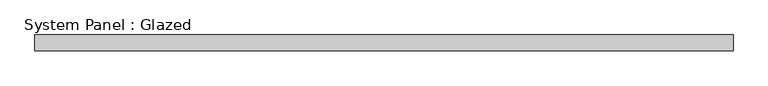
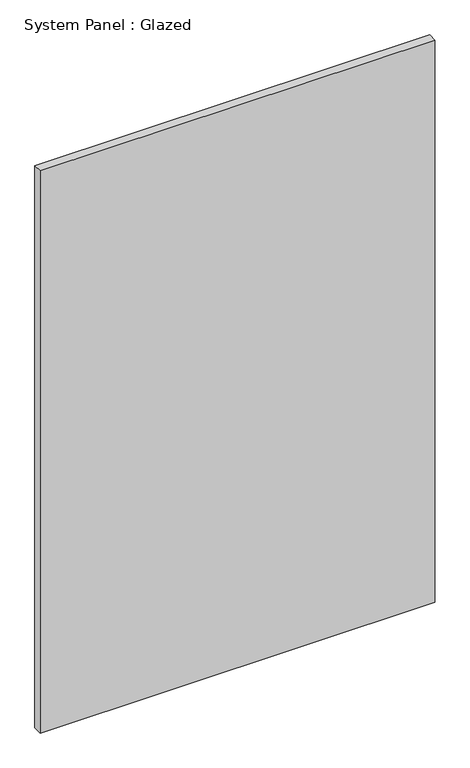
"""IFC4 building model written with IfcOpenShell, lengths in millimetres: plate geometry, System Panel : Glazed."""

from ifc_helpers import new_model, si_unit, origin, origin_with_axes, place, context, project, spatial, polyline, outline, extrude, source, transform, mapped, element, save


def system_panel_glazed_4dfa18dd(model_context):
    return source(origin(), model_context, "Body", "SweptSolid", [
        extrude(outline(polyline([(557.9813296, 19.05), (-557.9813296, 19.05), (-557.9813296, 44.45), (557.9813296, 44.45), (557.9813296, 19.05)])), origin_with_axes(), (0.0, 0.0, 1.0), 1680.4946968),
    ])


if __name__ == "__main__":
    model = new_model("IFC4")
    model_context = context("Model", 3, world=origin())
    ifc_project = project(units=[si_unit("LENGTHUNIT", "METRE", prefix="MILLI")], contexts=[model_context])
    site = spatial("IfcSite", under=ifc_project)
    building = spatial("IfcBuilding", under=site)
    placement = place(None, origin())
    system_panel_glazed_shape = system_panel_glazed_4dfa18dd(model_context)
    element("IfcPlate", 1, ObjectType="System Panel : Glazed", at=placement, inside=building, context=model_context, shape_type="MappedRepresentation", body=[
        mapped(system_panel_glazed_shape, transform((0.0, 0.0, 0.0), x_axis=(1.0, 0.0, 0.0), y_axis=(0.0, 1.0, 0.0), z_axis=(0.0, 0.0, 1.0))),
    ])
    save(model, "model.ifc")
